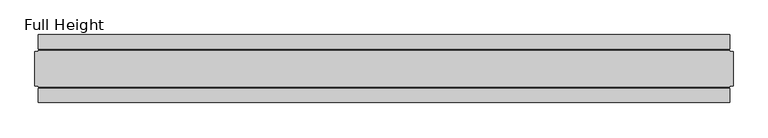
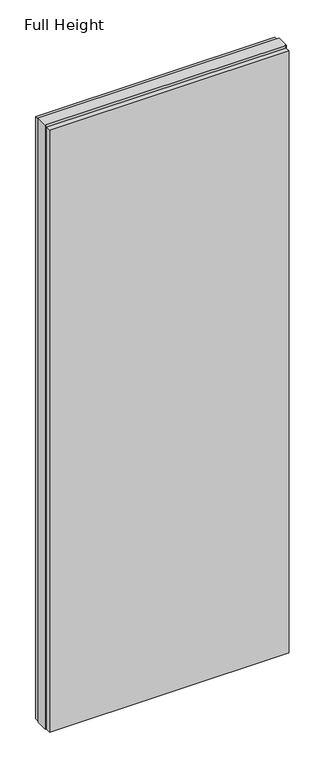
"""IFC4 building model written with IfcOpenShell, lengths in millimetres: plate geometry, Full Height."""

from ifc_helpers import new_model, si_unit, origin, origin_with_axes, place, context, project, spatial, polyline, outline, extrude, source, transform, mapped, element, save


def full_height_8beaa297(model_context):
    return source(origin(), model_context, "Body", "SweptSolid", [
        extrude(outline(polyline([(503.4279758, 28.956), (-503.4279758, 28.956), (-503.4279758, 49.53), (503.4279758, 49.53), (503.4279758, 28.956)])), origin_with_axes(), (0.0, 0.0, 1.0), 2679.192),
        extrude(outline(polyline([(503.4279758, -28.956), (503.4279758, -49.53), (-503.4279758, -49.53), (-503.4279758, -28.956), (503.4279758, -28.956)])), origin_with_axes(), (0.0, 0.0, 1.0), 2679.192),
        extrude(outline(polyline([(503.4279758, -25.146), (503.4279758, -26.67), (-503.4279758, -26.67), (-503.4279758, -25.146), (-507.9999758, -25.146), (-507.9999758, 25.146), (-503.4279758, 25.146), (-503.4279758, 26.67), (503.4279758, 26.67), (503.4279758, 25.146), (507.9999758, 25.146), (507.9999758, -25.146), (503.4279758, -25.146)])), origin_with_axes(), (0.0, 0.0, 1.0), 2688.336),
    ])


if __name__ == "__main__":
    model = new_model("IFC4")
    model_context = context("Model", 3, world=origin())
    ifc_project = project(units=[si_unit("LENGTHUNIT", "METRE", prefix="MILLI")], contexts=[model_context])
    site = spatial("IfcSite", under=ifc_project)
    building = spatial("IfcBuilding", under=site)
    placement = place(None, origin())
    full_height_shape = full_height_8beaa297(model_context)
    element("IfcPlate", 1, ObjectType="Full Height", at=placement, inside=building, context=model_context, shape_type="MappedRepresentation", body=[
        mapped(full_height_shape, transform((0.0, 0.0, 0.0), x_axis=(1.0, 0.0, 0.0), y_axis=(0.0, 1.0, 0.0), z_axis=(0.0, 0.0, 1.0))),
    ])
    save(model, "model.ifc")
